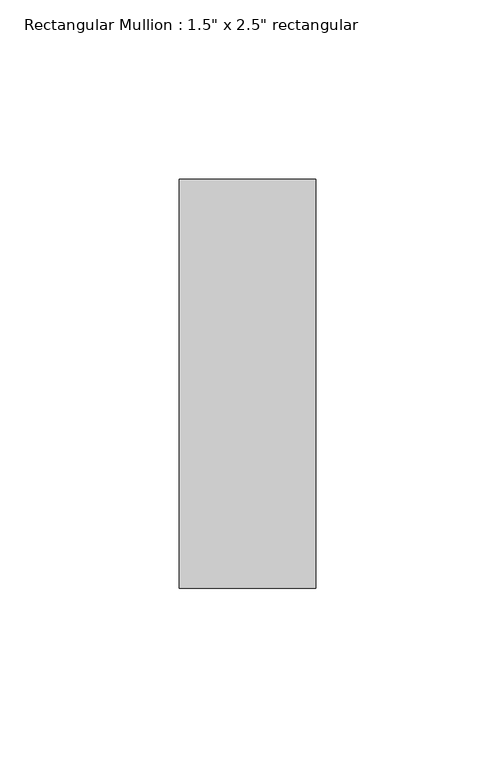
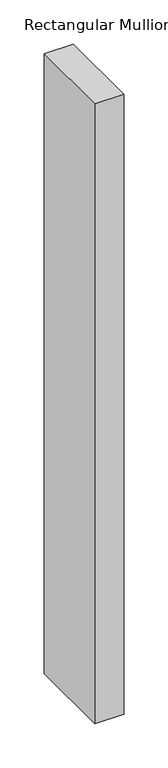
"""IFC4 building model written with IfcOpenShell, lengths in millimetres: member geometry."""

from ifc_helpers import new_model, si_unit, frame, origin, place, context, project, spatial, polyline, outline, extrude, source, transform, mapped, element, save


def member_24087724(model_context):
    return source(origin(), model_context, "Body", "SweptSolid", [
        extrude(outline(polyline([(0.0, 57.15), (0.0, -57.15), (-38.1, -57.15), (-38.1, 57.15), (0.0, 57.15)])), frame((0.0, 0.0, -857.25), z_axis=(0.0, 0.0, 1.0), x_axis=(1.0, 0.0, 0.0)), (0.0, 0.0, 1.0), 857.25),
    ])


if __name__ == "__main__":
    model = new_model("IFC4")
    model_context = context("Model", 3, world=origin())
    ifc_project = project(units=[si_unit("LENGTHUNIT", "METRE", prefix="MILLI")], contexts=[model_context])
    site = spatial("IfcSite", under=ifc_project)
    building = spatial("IfcBuilding", under=site)
    placement = place(None, origin())
    member_shape = member_24087724(model_context)
    element("IfcMember", 1, ObjectType="Rectangular Mullion : 1.5\" x 2.5\" rectangular", at=placement, inside=building, context=model_context, shape_type="MappedRepresentation", body=[
        mapped(member_shape, transform((0.0, 0.0, 0.0), x_axis=(1.0, 0.0, 0.0), y_axis=(0.0, 1.0, 0.0), z_axis=(0.0, 0.0, 1.0))),
    ])
    save(model, "model.ifc")
